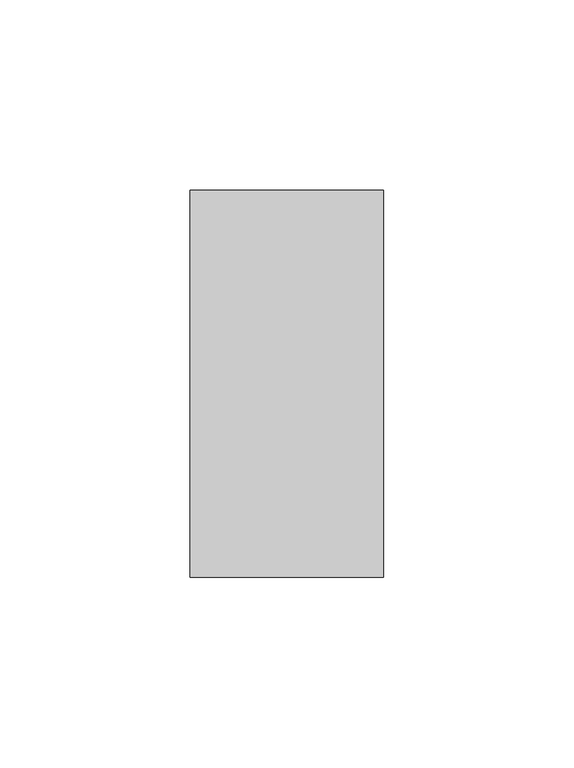
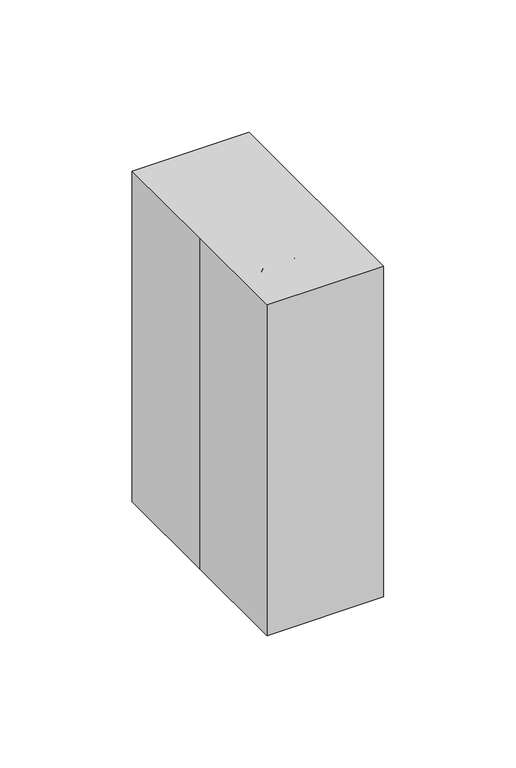
"""IFC4 building model written with IfcOpenShell, lengths in millimetres: proxy geometry."""

from ifc_helpers import new_model, si_unit, point, frame, frame_2d, origin, origin_with_axes, place, context, project, spatial, polyline, circle_curve, ellipse_curve, trimmed, segment, composite_curve, outline, extrude, source, transform, mapped, element, save
from ifc_brep_helpers import plane_surface, cylinder_surface, revolved_surface, extruded_surface, advanced_brep


def specialty_equipment_b7b3ba01(model_context):
    return source(origin(), model_context, "Body", "SolidModel", [
        extrude(outline(composite_curve([segment(trimmed(circle_curve(frame_2d((48.9482612, 0.0)), 6.35), [point((48.9482612, -6.35))], [point((48.9482612, 6.35))], False, "CARTESIAN"), True, "CONTINUOUS"), segment(trimmed(circle_curve(frame_2d((48.9482612, 0.0)), 6.35), [point((48.9482612, 6.35))], [point((48.9482612, -6.35))], False, "CARTESIAN"), True, "CONTINUOUS")], self_intersect=False)), frame((0.0, -47.625, 0.0), z_axis=(0.0, 1.0, 0.0), x_axis=(0.0, 0.0, 1.0)), (0.0, 0.0, 1.0), 3.175),
        extrude(outline(composite_curve([segment(trimmed(circle_curve(frame_2d((70.3795112, 0.0)), 6.35), [point((70.3795112, -6.35))], [point((70.3795112, 6.35))], False, "CARTESIAN"), True, "CONTINUOUS"), segment(trimmed(circle_curve(frame_2d((70.3795112, 0.0)), 6.35), [point((70.3795112, 6.35))], [point((70.3795112, -6.35))], False, "CARTESIAN"), True, "CONTINUOUS")], self_intersect=False)), frame((0.0, -47.625, 0.0), z_axis=(0.0, 1.0, 0.0), x_axis=(0.0, 0.0, 1.0)), (0.0, 0.0, 1.0), 3.175),
        advanced_brep(
        [(-0.4238554, -4.7392571, 114.3), (-0.4238554, -11.0445624, 114.3), (-0.4238554, -4.7392571, 126.7377702), (-0.4238554, -11.0445624, 126.7377702), (-0.4238554, -15.1157763, 134.5584993), (-0.4238554, -11.4992018, 139.723503), (-0.4238554, -28.3951314, 151.5541603), (-0.4238554, -32.011706, 146.3891566)],
        [
            (0, 1, circle_curve(frame((-0.4238554, -7.8919098, 114.3), z_axis=(0.0, 0.0, -1.0), x_axis=(0.0, -1.0, 0.0)), 3.1526526)),
            (1, 0, circle_curve(frame((-0.4238554, -7.8919098, 114.3), z_axis=(0.0, 0.0, -1.0), x_axis=(0.0, -1.0, 0.0)), 3.1526526)),
            (0, 2),
            (2, 3, circle_curve(frame((-0.4238554, -7.8919098, 126.7377702), z_axis=(0.0, 0.0, -1.0), x_axis=(0.0, -1.0, 0.0)), 3.1526526)),
            (3, 1),
            (3, 2, circle_curve(frame((-0.4238554, -7.8919098, 126.7377702), z_axis=(0.0, 0.0, -1.0), x_axis=(0.0, -1.0, 0.0)), 3.1526526)),
            (4, 3, circle_curve(frame((-0.4238554, -20.5919098, 126.7377702), z_axis=(-1.0, 0.0, 0.0), x_axis=(0.0, 1.0, 0.0)), 9.5473474)),
            (2, 5, circle_curve(frame((-0.4238554, -20.5919098, 126.7377702), z_axis=(1.0, 0.0, 0.0), x_axis=(0.0, 1.0, 0.0)), 15.8526526)),
            (5, 4, circle_curve(frame((-0.4238554, -13.307489, 137.1410011), z_axis=(0.0, 0.8191520442889894, -0.5735764363510495), x_axis=(0.0, -0.5735764363510495, -0.8191520442889894)), 3.1526526)),
            (4, 5, circle_curve(frame((-0.4238554, -13.307489, 137.1410011), z_axis=(0.0, 0.8191520442889914, -0.5735764363510467), x_axis=(0.0, -0.5735764363510467, -0.8191520442889914)), 3.1526526)),
            (6, 7, circle_curve(frame((-0.4238554, -30.2034187, 148.9716585), z_axis=(0.0, -0.8191520442889906, 0.573576436351048), x_axis=(0.0, -0.573576436351048, -0.8191520442889906)), 3.1526526)),
            (7, 6, circle_curve(frame((-0.4238554, -30.2034187, 148.9716585), z_axis=(0.0, -0.8191520442889906, 0.573576436351048), x_axis=(0.0, -0.573576436351048, -0.8191520442889906)), 3.1526526)),
            (5, 6),
            (7, 4),
        ],
        [
            plane_surface(frame((0.0, -7.8919098, 114.3), z_axis=(0.0, 0.0, -1.0), x_axis=(1.0, 0.0, 0.0))),
            cylinder_surface(frame((-0.4238554, -7.8919098, 114.3), z_axis=(0.0, 0.0, -1.0), x_axis=(0.0, -1.0, 0.0)), 3.1526526),
            revolved_surface(trimmed(ellipse_curve(frame((-0.4238554, -7.8919098, 126.7377702), z_axis=(0.0, 0.0, -1.0), x_axis=(0.0, -1.0, 0.0)), 3.1526526, 3.1526526), [point((-0.4238554, -4.7392571, 126.7377702))], [point((-0.4238554, -11.0445624, 126.7377702))], True, "CARTESIAN"), (0.0, -20.5919098, 126.7377702), (1.0, 0.0, 0.0)),
            revolved_surface(trimmed(ellipse_curve(frame((-0.4238554, -7.8919098, 126.7377702), z_axis=(0.0, 0.0, -1.0), x_axis=(0.0, -1.0, 0.0)), 3.1526526, 3.1526526), [point((-0.4238554, -11.0445624, 126.7377702))], [point((-0.4238554, -4.7392571, 126.7377702))], True, "CARTESIAN"), (0.0, -20.5919098, 126.7377702), (1.0, 0.0, 0.0)),
            plane_surface(frame((0.0, -30.2034187, 148.9716585), z_axis=(0.0, -0.8191520442889906, 0.573576436351048), x_axis=(1.0, 0.0, 0.0))),
            cylinder_surface(frame((-0.4238554, -13.307489, 137.1410011), z_axis=(0.0, 0.8191520442889906, -0.573576436351048), x_axis=(0.0, -0.573576436351048, -0.8191520442889906)), 3.1526526),
        ],
        [
            (0, [[1, 2]]),
            (1, [[-1, 3, 4, 5]]),
            (1, [[-2, -5, 6, -3]]),
            (2, [[7, -4, 8, 9]]),
            (3, [[-8, -6, -7, 10]]),
            (4, [[11, 12]]),
            (5, [[-9, 13, -12, 14]]),
            (5, [[-10, -14, -11, -13]]),
        ],
    ),
        advanced_brep(
        [(1.6144979, 11.940545, 114.3), (-2.0145326, 11.940545, 114.3), (-8.3645326, 5.590545, 114.3), (-8.3645326, -23.3850404, 114.3), (-2.0145326, -29.7350404, 114.3), (1.6144979, -29.7350404, 114.3), (7.9644979, -23.3850404, 114.3), (7.9644979, 5.590545, 114.3), (12.7, 35.0484975, 88.9), (19.05, 28.6984975, 88.9), (19.05, -38.1, 88.9), (12.7, -44.45, 88.9), (-12.7, -44.45, 88.9), (-19.05, -38.1, 88.9), (-19.05, 28.6984975, 88.9), (-12.7, 35.0484975, 88.9)],
        [
            (0, 1),
            (1, 2, circle_curve(frame((-2.0145326, 5.590545, 114.3), z_axis=(0.0, 0.0, 1.0), x_axis=(1.0, 0.0, 0.0)), 6.35)),
            (2, 3),
            (3, 4, circle_curve(frame((-2.0145326, -23.3850404, 114.3), z_axis=(0.0, 0.0, 1.0), x_axis=(1.0, 0.0, 0.0)), 6.35)),
            (4, 5),
            (5, 6, circle_curve(frame((1.6144979, -23.3850404, 114.3), z_axis=(0.0, 0.0, 1.0), x_axis=(1.0, 0.0, 0.0)), 6.35)),
            (6, 7),
            (7, 0, circle_curve(frame((1.6144979, 5.590545, 114.3), z_axis=(0.0, 0.0, 1.0), x_axis=(1.0, 0.0, 0.0)), 6.35)),
            (8, 9, circle_curve(frame((12.7, 28.6984975, 88.9), z_axis=(0.0, 0.0, -1.0), x_axis=(1.0, 0.0, 0.0)), 6.35)),
            (9, 10),
            (10, 11, circle_curve(frame((12.7, -38.1, 88.9), z_axis=(0.0, 0.0, -1.0), x_axis=(1.0, 0.0, 0.0)), 6.35)),
            (11, 12),
            (12, 13, circle_curve(frame((-12.7, -38.1, 88.9), z_axis=(0.0, 0.0, -1.0), x_axis=(1.0, 0.0, 0.0)), 6.35)),
            (13, 14),
            (14, 15, circle_curve(frame((-12.7, 28.6984975, 88.9), z_axis=(0.0, 0.0, -1.0), x_axis=(1.0, 0.0, 0.0)), 6.35)),
            (15, 8),
            (15, 1),
            (0, 8),
            (14, 2),
            (13, 3),
            (12, 4),
            (11, 5),
            (10, 6),
            (9, 7),
        ],
        [
            plane_surface(frame((-0.2000174, -8.8972477, 114.3), z_axis=(0.0, 0.0, 1.0), x_axis=(-1.0, 0.0, 0.0))),
            plane_surface(frame((0.0, -4.7007512, 88.9), z_axis=(0.0, 0.0, -1.0), x_axis=(-1.0, 0.0, 0.0))),
            plane_surface(frame((0.0, 35.0484975, 88.9), z_axis=(0.0, 0.7396929787591615, 0.6729444978409428), x_axis=(-1.0, 0.0, 0.0))),
            extruded_surface(trimmed(circle_curve(frame((-12.7, 28.6984975, 88.9), z_axis=(0.0, 0.0, 1.0), x_axis=(1.0, 0.0, 0.0)), 6.35), [point((-12.7, 35.0484975, 88.9))], [point((-19.05, 28.6984975, 88.9))], True, "CARTESIAN"), (10.6854674, -23.1079525, 25.39999999999999), 35.962712387954255),
            plane_surface(frame((-19.05, -4.7007512, 88.9), z_axis=(-0.9217556382218592, 0.0, 0.3877712513921228), x_axis=(0.0, -1.0, 0.0))),
            extruded_surface(trimmed(circle_curve(frame((-12.7, -38.1, 88.9), z_axis=(0.0, 0.0, 1.0), x_axis=(1.0, 0.0, 0.0)), 6.35), [point((-19.05, -38.1, 88.9))], [point((-12.7, -44.45, 88.9))], True, "CARTESIAN"), (10.6854674, 14.7149596, 25.39999999999999), 31.23890602415671),
            plane_surface(frame((0.0, -44.45, 88.9), z_axis=(0.0, -0.8652830189172095, 0.5012836494176927), x_axis=(1.0, 0.0, 0.0))),
            extruded_surface(trimmed(circle_curve(frame((12.7, -38.1, 88.9), z_axis=(0.0, 0.0, 1.0), x_axis=(1.0, 0.0, 0.0)), 6.35), [point((12.7, -44.45, 88.9))], [point((19.05, -38.1, 88.9))], True, "CARTESIAN"), (-11.0855021, 14.7149596, 25.39999999999999), 31.377992173476237),
            plane_surface(frame((19.05, -4.7007512, 88.9), z_axis=(0.916514698595433, 0.0, 0.4000010090718804), x_axis=(0.0, 1.0, 0.0))),
            extruded_surface(trimmed(circle_curve(frame((12.7, 28.6984975, 88.9), z_axis=(0.0, 0.0, 1.0), x_axis=(1.0, 0.0, 0.0)), 6.35), [point((19.05, 28.6984975, 88.9))], [point((12.7, 35.0484975, 88.9))], True, "CARTESIAN"), (-11.0855021, -23.1079525, 25.39999999999999), 36.08359496435132),
        ],
        [
            (0, [[1, 2, 3, 4, 5, 6, 7, 8]]),
            (1, [[9, 10, 11, 12, 13, 14, 15, 16]]),
            (2, [[-16, 17, -1, 18]]),
            (3, [[-15, 19, -2, -17]]),
            (4, [[-14, 20, -3, -19]]),
            (5, [[-13, 21, -4, -20]]),
            (6, [[-12, 22, -5, -21]]),
            (7, [[-11, 23, -6, -22]]),
            (8, [[-10, 24, -7, -23]]),
            (9, [[-9, -18, -8, -24]]),
        ],
    ),
        extrude(outline(composite_curve([segment(polyline([(-12.7, 35.0484975), (12.7, 35.0484975)]), True, "CONTINUOUS"), segment(trimmed(circle_curve(frame_2d((12.7, 28.6984975)), 6.35), [point((12.7, 35.0484975))], [point((19.05, 28.6984975))], False, "CARTESIAN"), True, "CONTINUOUS"), segment(polyline([(19.05, 28.6984975), (19.05, -38.1)]), True, "CONTINUOUS"), segment(trimmed(circle_curve(frame_2d((12.7, -38.1)), 6.35), [point((19.05, -38.1))], [point((12.7, -44.45))], False, "CARTESIAN"), True, "CONTINUOUS"), segment(polyline([(12.7, -44.45), (-12.7, -44.45)]), True, "CONTINUOUS"), segment(trimmed(circle_curve(frame_2d((-12.7, -38.1)), 6.35), [point((-12.7, -44.45))], [point((-19.05, -38.1))], False, "CARTESIAN"), True, "CONTINUOUS"), segment(polyline([(-19.05, -38.1), (-19.05, 28.6984975)]), True, "CONTINUOUS"), segment(trimmed(circle_curve(frame_2d((-12.7, 28.6984975)), 6.35), [point((-19.05, 28.6984975))], [point((-12.7, 35.0484975))], False, "CARTESIAN"), True, "CONTINUOUS")], self_intersect=False)), origin_with_axes(), (0.0, 0.0, 1.0), 88.9),
        extrude(outline(polyline([(-25.4, 50.8), (25.4, 50.8), (25.4, -50.8), (-25.4, -50.8), (-25.4, 0.0), (-25.4, 50.8)])), origin_with_axes(), (0.0, 0.0, 1.0), 152.4),
    ])


if __name__ == "__main__":
    model = new_model("IFC4")
    model_context = context("Model", 3, world=origin())
    ifc_project = project(units=[si_unit("LENGTHUNIT", "METRE", prefix="MILLI")], contexts=[model_context])
    site = spatial("IfcSite", under=ifc_project)
    building = spatial("IfcBuilding", under=site)
    placement = place(None, origin())
    specialty_equipment_shape = specialty_equipment_b7b3ba01(model_context)
    element("IfcBuildingElementProxy", 1, Name="Specialty Equipment", at=placement, inside=building, context=model_context, shape_type="MappedRepresentation", body=[
        mapped(specialty_equipment_shape, transform((0.0, 0.0, 0.0), x_axis=(1.0, 0.0, 0.0), y_axis=(0.0, 1.0, 0.0), z_axis=(0.0, 0.0, 1.0))),
    ])
    save(model, "model.ifc")
